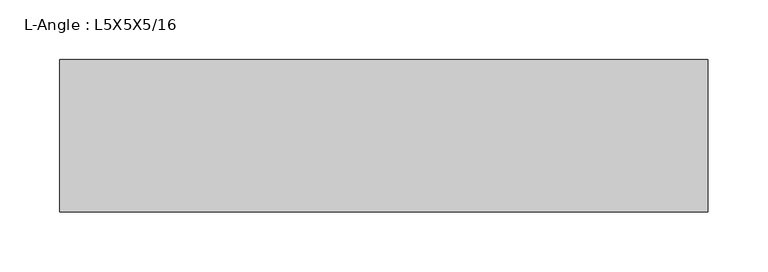
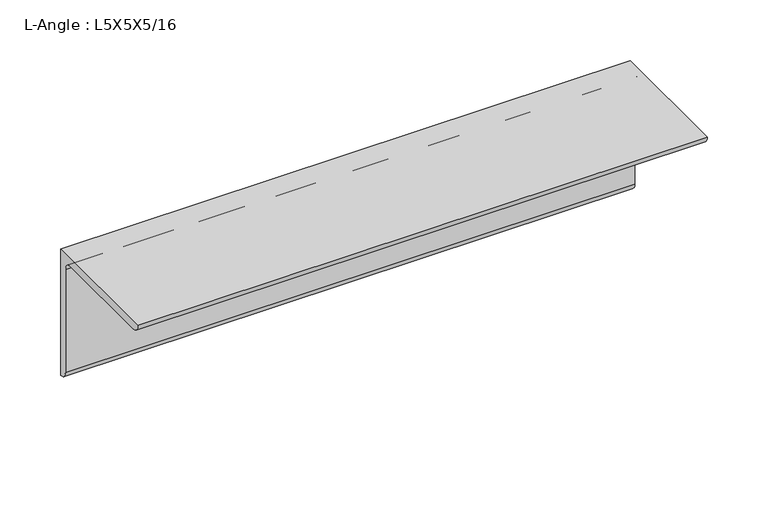
"""IFC4 building model written with IfcOpenShell, lengths in millimetres: beam geometry, L-Angle : L5X5X5/16."""

from ifc_helpers import new_model, si_unit, point, frame, frame_2d, origin, place, context, project, spatial, polyline, circle_curve, trimmed, segment, composite_curve, outline, extrude, source, transform, mapped, element, save


def l_angle_l5x5x5_16_fe168969(model_context):
    return source(origin(), model_context, "Body", "SweptSolid", [
        extrude(outline(composite_curve([segment(polyline([(34.3296875, 34.3296875), (34.3296875, -92.6703125)]), True, "CONTINUOUS"), segment(trimmed(circle_curve(frame_2d((34.3296875, -84.7328125)), 7.9375), [point((34.3296875, -92.6703125))], [point((26.3921875, -84.7328125))], False, "CARTESIAN"), True, "CONTINUOUS"), segment(polyline([(26.3921875, -84.7328125), (26.3921875, 18.4546875)]), True, "CONTINUOUS"), segment(trimmed(circle_curve(frame_2d((18.4546875, 18.4546875)), 7.9375), [point((26.3921875, 18.4546875))], [point((18.4546875, 26.3921875))], True, "CARTESIAN"), True, "CONTINUOUS"), segment(polyline([(18.4546875, 26.3921875), (-84.7328125, 26.3921875)]), True, "CONTINUOUS"), segment(trimmed(circle_curve(frame_2d((-84.7328125, 34.3296875)), 7.9375), [point((-84.7328125, 26.3921875))], [point((-92.6703125, 34.3296875))], False, "CARTESIAN"), True, "CONTINUOUS"), segment(polyline([(-92.6703125, 34.3296875), (34.3296875, 34.3296875)]), True, "CONTINUOUS")], self_intersect=False)), frame((-270.4703125, 0.0, 0.0), z_axis=(1.0, 0.0, 0.0), x_axis=(0.0, 1.0, 0.0)), (0.0, 0.0, 1.0), 540.940625),
    ])


if __name__ == "__main__":
    model = new_model("IFC4")
    model_context = context("Model", 3, world=origin())
    ifc_project = project(units=[si_unit("LENGTHUNIT", "METRE", prefix="MILLI")], contexts=[model_context])
    site = spatial("IfcSite", under=ifc_project)
    building = spatial("IfcBuilding", under=site)
    placement = place(None, origin())
    l_angle_l5x5x5_16_shape = l_angle_l5x5x5_16_fe168969(model_context)
    element("IfcBeam", 1, ObjectType="L-Angle : L5X5X5/16", at=placement, inside=building, context=model_context, shape_type="MappedRepresentation", body=[
        mapped(l_angle_l5x5x5_16_shape, transform((0.0, 0.0, 0.0), x_axis=(1.0, 0.0, 0.0), y_axis=(0.0, 1.0, 0.0), z_axis=(0.0, 0.0, 1.0))),
    ])
    save(model, "model.ifc")
